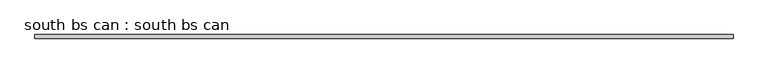
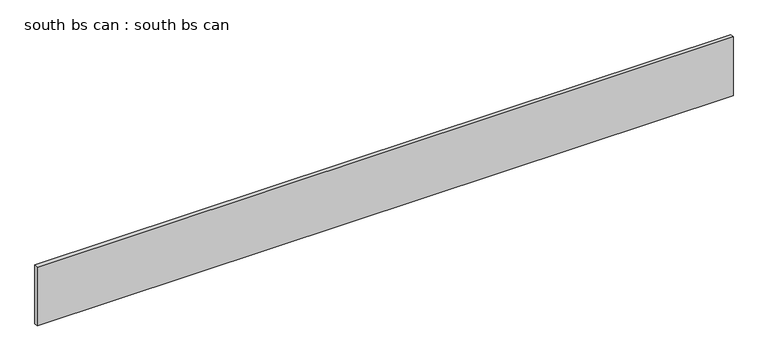
"""IFC4 building model written with IfcOpenShell, lengths in millimetres: proxy geometry, south bs can : south bs can."""

from ifc_helpers import new_model, si_unit, frame, origin, place, context, project, spatial, polyline, outline, extrude, source, transform, mapped, element, save


def south_bs_can_south_bs_can_8f3919f7(model_context):
    return source(origin(), model_context, "Body", "SweptSolid", [
        extrude(outline(polyline([(-5621.4448603, 8034.5751285), (-4408.5948603, 8034.5751285), (-4408.5948603, 8028.2251285), (-5621.4448603, 8028.2251285), (-5621.4448603, 8034.5751285)])), frame((0.0, 0.0, 3835.4), z_axis=(0.0, 0.0, 1.0), x_axis=(1.0, 0.0, 0.0)), (0.0, 0.0, 1.0), 107.95),
    ])


if __name__ == "__main__":
    model = new_model("IFC4")
    model_context = context("Model", 3, world=origin())
    ifc_project = project(units=[si_unit("LENGTHUNIT", "METRE", prefix="MILLI")], contexts=[model_context])
    site = spatial("IfcSite", under=ifc_project)
    building = spatial("IfcBuilding", under=site)
    placement = place(None, origin())
    south_bs_can_south_bs_can_shape = south_bs_can_south_bs_can_8f3919f7(model_context)
    element("IfcBuildingElementProxy", 1, Name="south bs can : south bs can", ObjectType="south bs can : south bs can", at=placement, inside=building, context=model_context, shape_type="MappedRepresentation", body=[
        mapped(south_bs_can_south_bs_can_shape, transform((0.0, 0.0, 0.0), x_axis=(1.0, 0.0, 0.0), y_axis=(0.0, 1.0, 0.0), z_axis=(0.0, 0.0, 1.0))),
    ])
    save(model, "model.ifc")
